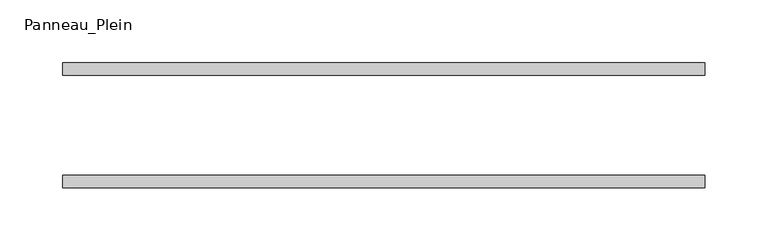
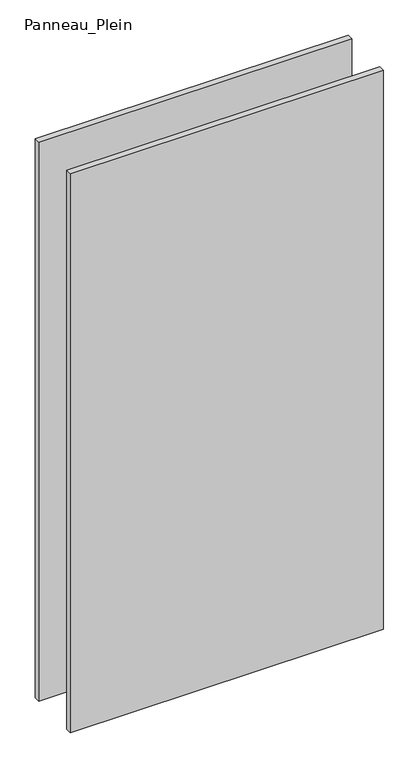
"""IFC4 building model written with IfcOpenShell, lengths in millimetres: plate geometry, Panneau_Plein."""

from ifc_helpers import new_model, si_unit, origin, origin_with_axes, place, context, project, spatial, polyline, outline, extrude, source, transform, mapped, element, save


def panneau_plein_f643548b(model_context):
    return source(origin(), model_context, "Body", "SweptSolid", [
        extrude(outline(polyline([(256.8421576, 50.0), (256.8421576, 40.0), (-256.8421576, 40.0), (-256.8421576, 50.0), (256.8421576, 50.0)])), origin_with_axes(), (0.0, 0.0, 1.0), 969.867499),
        extrude(outline(polyline([(256.8421576, -40.0), (256.8421576, -50.0), (-256.8421576, -50.0), (-256.8421576, -40.0), (256.8421576, -40.0)])), origin_with_axes(), (0.0, 0.0, 1.0), 969.867499),
    ])


if __name__ == "__main__":
    model = new_model("IFC4")
    model_context = context("Model", 3, world=origin())
    ifc_project = project(units=[si_unit("LENGTHUNIT", "METRE", prefix="MILLI")], contexts=[model_context])
    site = spatial("IfcSite", under=ifc_project)
    building = spatial("IfcBuilding", under=site)
    placement = place(None, origin())
    panneau_plein_shape = panneau_plein_f643548b(model_context)
    element("IfcPlate", 1, ObjectType="Panneau_Plein", at=placement, inside=building, context=model_context, shape_type="MappedRepresentation", body=[
        mapped(panneau_plein_shape, transform((0.0, 0.0, 0.0), x_axis=(1.0, 0.0, 0.0), y_axis=(0.0, 1.0, 0.0), z_axis=(0.0, 0.0, 1.0))),
    ])
    save(model, "model.ifc")
